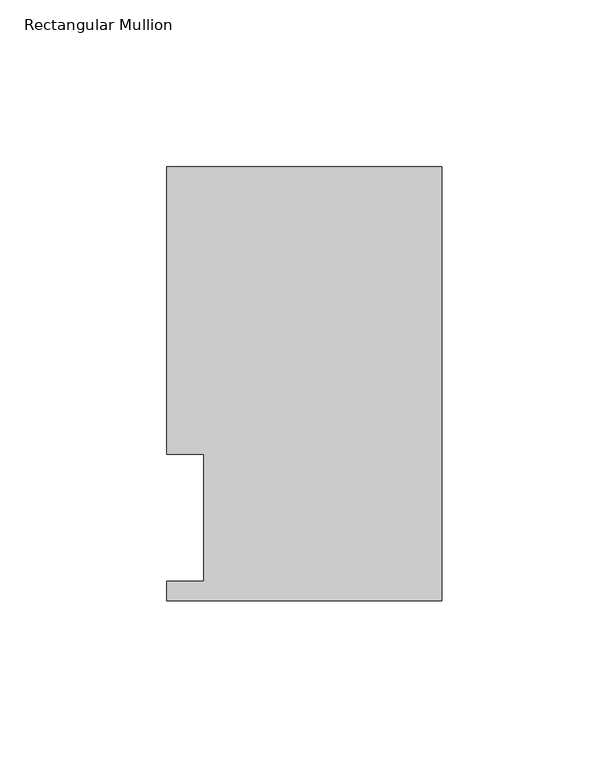
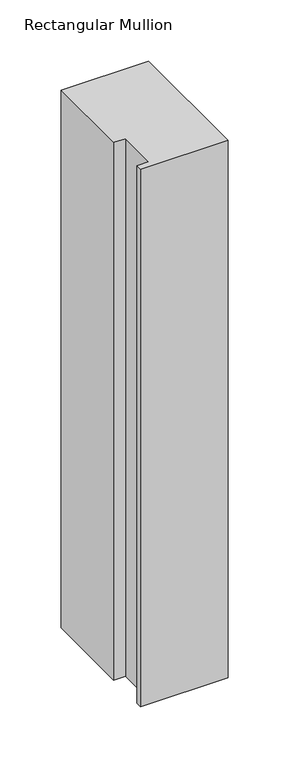
"""IFC4 building model written with IfcOpenShell, lengths in millimetres: member geometry, Rectangular Mullion."""

from ifc_helpers import new_model, si_unit, frame, origin, place, context, project, spatial, polyline, outline, extrude, source, transform, mapped, element, save


def rectangular_mullion_71832176(model_context):
    return source(origin(), model_context, "Body", "SweptSolid", [
        extrude(outline(polyline([(-82.5504364, 130.6321003), (0.0, 130.6321003), (0.0, 0.4063003), (-82.55, 0.4063003), (-82.55, 6.3499003), (-71.4454383, 6.3499003), (-71.4454383, 44.45), (-82.5504364, 44.45), (-82.5504364, 130.6321003)])), frame((0.0, 0.0, -536.575), z_axis=(0.0, 0.0, 1.0), x_axis=(1.0, 0.0, 0.0)), (0.0, 0.0, 1.0), 536.575),
    ])


if __name__ == "__main__":
    model = new_model("IFC4")
    model_context = context("Model", 3, world=origin())
    ifc_project = project(units=[si_unit("LENGTHUNIT", "METRE", prefix="MILLI")], contexts=[model_context])
    site = spatial("IfcSite", under=ifc_project)
    building = spatial("IfcBuilding", under=site)
    placement = place(None, origin())
    rectangular_mullion_shape = rectangular_mullion_71832176(model_context)
    element("IfcMember", 1, ObjectType="Rectangular Mullion", at=placement, inside=building, context=model_context, shape_type="MappedRepresentation", body=[
        mapped(rectangular_mullion_shape, transform((0.0, 0.0, 0.0), x_axis=(1.0, 0.0, 0.0), y_axis=(0.0, 1.0, 0.0), z_axis=(0.0, 0.0, 1.0))),
    ])
    save(model, "model.ifc")
